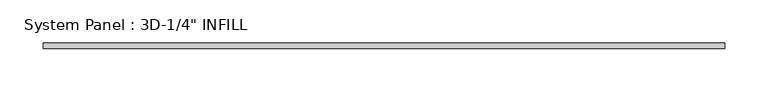
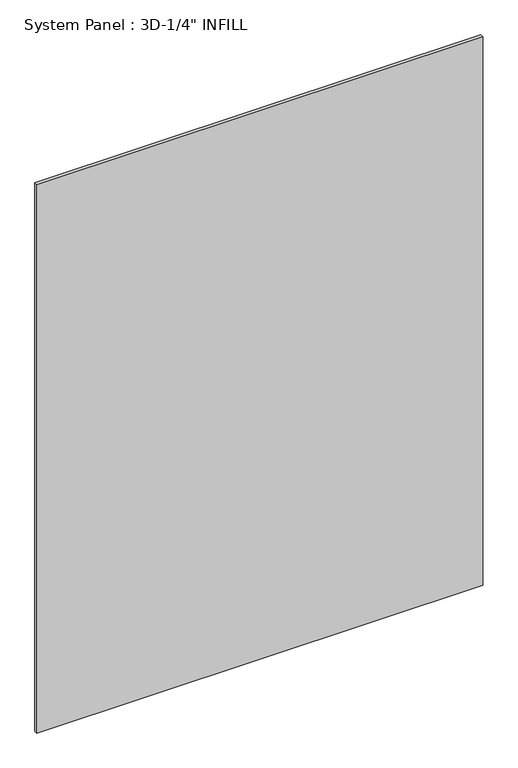
"""IFC4 building model written with IfcOpenShell, lengths in millimetres: plate geometry."""

from ifc_helpers import new_model, si_unit, origin, origin_with_axes, place, context, project, spatial, polyline, outline, extrude, source, transform, mapped, element, save


def plate_949279a9(model_context):
    return source(origin(), model_context, "Body", "SweptSolid", [
        extrude(outline(polyline([(394.0103562, -3.175), (-394.0103562, -3.175), (-394.0103562, 3.175), (394.0103562, 3.175), (394.0103562, -3.175)])), origin_with_axes(), (0.0, 0.0, 1.0), 1024.5416877),
    ])


if __name__ == "__main__":
    model = new_model("IFC4")
    model_context = context("Model", 3, world=origin())
    ifc_project = project(units=[si_unit("LENGTHUNIT", "METRE", prefix="MILLI")], contexts=[model_context])
    site = spatial("IfcSite", under=ifc_project)
    building = spatial("IfcBuilding", under=site)
    placement = place(None, origin())
    plate_shape = plate_949279a9(model_context)
    element("IfcPlate", 1, ObjectType="System Panel : 3D-1/4\" INFILL", at=placement, inside=building, context=model_context, shape_type="MappedRepresentation", body=[
        mapped(plate_shape, transform((0.0, 0.0, 0.0), x_axis=(1.0, 0.0, 0.0), y_axis=(0.0, 1.0, 0.0), z_axis=(0.0, 0.0, 1.0))),
    ])
    save(model, "model.ifc")
